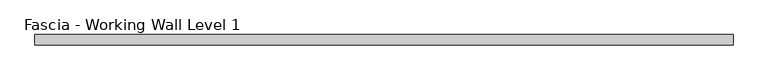
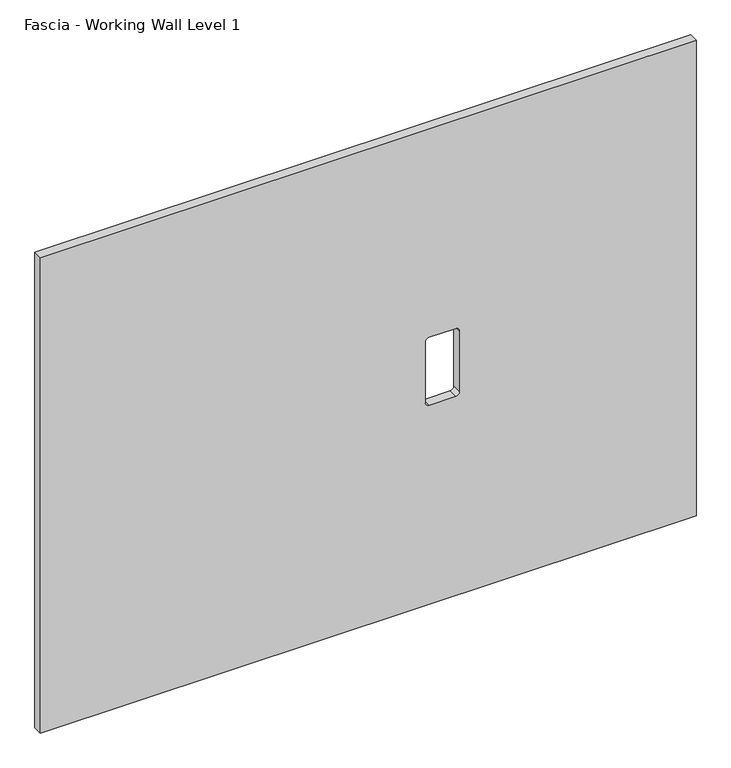
"""IFC4 building model written with IfcOpenShell, lengths in millimetres: proxy geometry, Fascia - Working Wall Level 1."""

from ifc_helpers import new_model, si_unit, point, frame, frame_2d, origin, place, context, project, spatial, polyline, circle_curve, trimmed, segment, composite_curve, outline, extrude, source, transform, mapped, element, save


def fascia_working_wall_level_1_1479c1d2(model_context):
    return source(origin(), model_context, "Body", "SweptSolid", [
        extrude(outline(polyline([(918.2606874, -615.9999368), (0.0, -615.9999368), (0.0, 581.4473618), (918.2606874, 581.4473618), (918.2606874, -615.9999368)]), holes=[composite_curve([segment(polyline([(384.9156731, 142.7295257), (384.9156731, 93.8853257)]), True, "CONTINUOUS"), segment(trimmed(circle_curve(frame_2d((391.2656731, 93.8853257)), 6.35), [point((384.9156731, 93.8853257))], [point((391.2656731, 87.5353257))], True, "CARTESIAN"), True, "CONTINUOUS"), segment(polyline([(391.2656731, 87.5353257), (509.0200731, 87.5353257)]), True, "CONTINUOUS"), segment(trimmed(circle_curve(frame_2d((509.0200731, 93.8853257)), 6.35), [point((509.0200731, 87.5353257))], [point((515.3700731, 93.8853257))], True, "CARTESIAN"), True, "CONTINUOUS"), segment(polyline([(515.3700731, 93.8853257), (515.3700731, 142.7295257)]), True, "CONTINUOUS"), segment(trimmed(circle_curve(frame_2d((509.0200731, 142.7295257)), 6.35), [point((515.3700731, 142.7295257))], [point((509.0200731, 149.0795257))], True, "CARTESIAN"), True, "CONTINUOUS"), segment(polyline([(509.0200731, 149.0795257), (391.2656731, 149.0795257)]), True, "CONTINUOUS"), segment(trimmed(circle_curve(frame_2d((391.2656731, 142.7295257)), 6.35), [point((391.2656731, 149.0795257))], [point((384.9156731, 142.7295257))], True, "CARTESIAN"), True, "CONTINUOUS")], self_intersect=False)]), frame((0.0, -24.22678, 0.0), z_axis=(0.0, 1.0, 0.0), x_axis=(0.0, 0.0, 1.0)), (0.0, 0.0, 1.0), 17.4752),
    ])


if __name__ == "__main__":
    model = new_model("IFC4")
    model_context = context("Model", 3, world=origin())
    ifc_project = project(units=[si_unit("LENGTHUNIT", "METRE", prefix="MILLI")], contexts=[model_context])
    site = spatial("IfcSite", under=ifc_project)
    building = spatial("IfcBuilding", under=site)
    placement = place(None, origin())
    fascia_working_wall_level_1_shape = fascia_working_wall_level_1_1479c1d2(model_context)
    element("IfcBuildingElementProxy", 1, Name="Fascia - Working Wall Level 1", ObjectType="Fascia - Working Wall Level 1", at=placement, inside=building, context=model_context, shape_type="MappedRepresentation", body=[
        mapped(fascia_working_wall_level_1_shape, transform((0.0, 0.0, 0.0), x_axis=(1.0, 0.0, 0.0), y_axis=(0.0, 1.0, 0.0), z_axis=(0.0, 0.0, 1.0))),
    ])
    save(model, "model.ifc")
